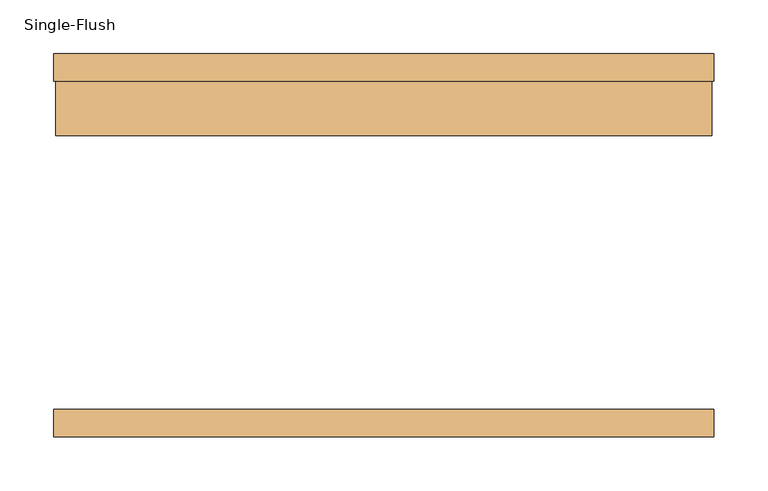
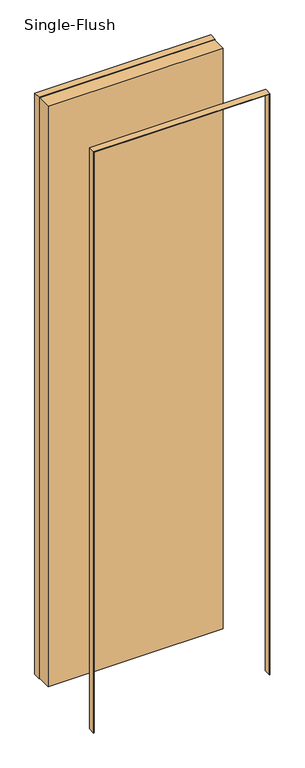
"""IFC4 building model written with IfcOpenShell, lengths in millimetres: door geometry, Single-Flush."""

from ifc_helpers import new_model, si_unit, frame, origin, origin_with_axes, place, context, project, spatial, polyline, outline, extrude, source, transform, mapped, element, save


def single_flush_b93a4133(model_context):
    return source(origin(), model_context, "Body", "SweptSolid", [
        extrude(outline(polyline([(2135.1875, -306.3875), (0.0, -306.3875), (0.0, -304.8), (2133.6, -304.8), (2133.6, 304.8), (0.0, 304.8), (0.0, 306.3875), (2135.1875, 306.3875), (2135.1875, -306.3875)])), frame((0.0, 152.4, 0.0), z_axis=(0.0, 1.0, 0.0), x_axis=(0.0, 0.0, 1.0)), (0.0, 0.0, 1.0), 25.4),
        extrude(outline(polyline([(2135.1875, 306.3875), (2135.1875, -306.3875), (0.0, -306.3875), (0.0, -304.8), (2133.6, -304.8), (2133.6, 304.8), (0.0, 304.8), (0.0, 306.3875), (2135.1875, 306.3875)])), frame((0.0, -177.8, 0.0), z_axis=(0.0, 1.0, 0.0), x_axis=(0.0, 0.0, 1.0)), (0.0, 0.0, 1.0), 25.4),
        extrude(outline(polyline([(304.8, 101.6), (-304.8, 101.6), (-304.8, 152.4), (304.8, 152.4), (304.8, 101.6)])), origin_with_axes(), (0.0, 0.0, 1.0), 2133.6),
    ])


if __name__ == "__main__":
    model = new_model("IFC4")
    model_context = context("Model", 3, world=origin())
    ifc_project = project(units=[si_unit("LENGTHUNIT", "METRE", prefix="MILLI")], contexts=[model_context])
    site = spatial("IfcSite", under=ifc_project)
    building = spatial("IfcBuilding", under=site)
    placement = place(None, origin())
    single_flush_shape = single_flush_b93a4133(model_context)
    element("IfcDoor", 1, ObjectType="Single-Flush", at=placement, inside=building, context=model_context, shape_type="MappedRepresentation", body=[
        mapped(single_flush_shape, transform((0.0, 0.0, 0.0), x_axis=(1.0, 0.0, 0.0), y_axis=(0.0, 1.0, 0.0), z_axis=(0.0, 0.0, 1.0))),
    ])
    save(model, "model.ifc")
